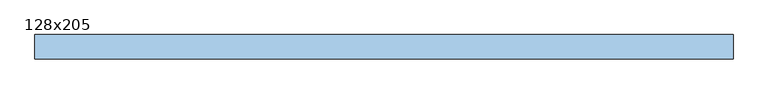
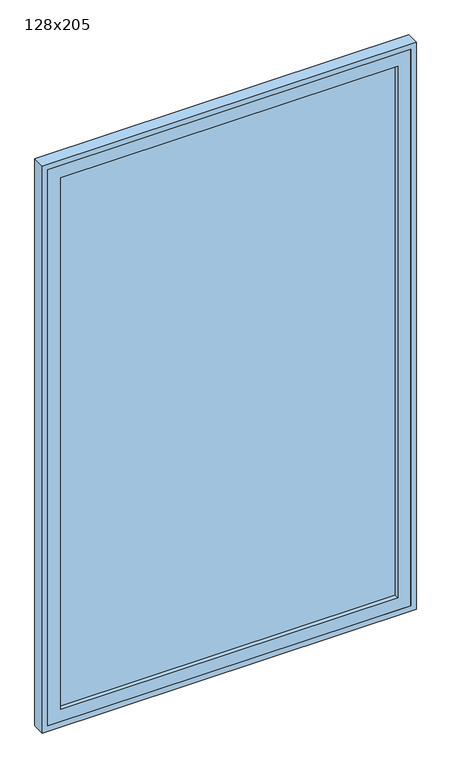
"""IFC4 building model written with IfcOpenShell, lengths in millimetres: window geometry, 128x205."""

from ifc_helpers import new_model, si_unit, frame, origin, place, context, project, spatial, polyline, outline, extrude, source, transform, mapped, element, save


def window_128x205_106a17c1(model_context):
    return source(origin(), model_context, "Body", "SweptSolid", [
        extrude(outline(polyline([(538.4, 126.425), (-614.6, 126.425), (-614.6, 139.125), (538.4, 139.125), (538.4, 126.425)])), frame((0.0, 0.0, 163.5), z_axis=(0.0, 0.0, 1.0), x_axis=(1.0, 0.0, 0.0)), (0.0, 0.0, 1.0), 1923.0),
        extrude(outline(polyline([(2130.95, -659.05), (119.05, -659.05), (119.05, 582.85), (2130.95, 582.85), (2130.95, -659.05)]), holes=[polyline([(2086.5, -614.6), (2086.5, 538.4), (163.5, 538.4), (163.5, -614.6), (2086.5, -614.6)])]), frame((0.0, 110.55, 0.0), z_axis=(0.0, 1.0, 0.0), x_axis=(0.0, 0.0, 1.0)), (0.0, 0.0, 1.0), 44.45),
        extrude(outline(polyline([(2150.0, 601.9), (2150.0, -678.1), (100.0, -678.1), (100.0, 601.9), (2150.0, 601.9)]), holes=[polyline([(2130.95, 582.85), (119.05, 582.85), (119.05, -659.05), (2130.95, -659.05), (2130.95, 582.85)])]), frame((0.0, 110.55, 0.0), z_axis=(0.0, 1.0, 0.0), x_axis=(0.0, 0.0, 1.0)), (0.0, 0.0, 1.0), 44.45),
    ])


if __name__ == "__main__":
    model = new_model("IFC4")
    model_context = context("Model", 3, world=origin())
    ifc_project = project(units=[si_unit("LENGTHUNIT", "METRE", prefix="MILLI")], contexts=[model_context])
    site = spatial("IfcSite", under=ifc_project)
    building = spatial("IfcBuilding", under=site)
    placement = place(None, origin())
    window_128x205_shape = window_128x205_106a17c1(model_context)
    element("IfcWindow", 1, ObjectType="128x205", at=placement, inside=building, context=model_context, shape_type="MappedRepresentation", body=[
        mapped(window_128x205_shape, transform((0.0, 0.0, 0.0), x_axis=(1.0, 0.0, 0.0), y_axis=(0.0, 1.0, 0.0), z_axis=(0.0, 0.0, 1.0))),
    ])
    save(model, "model.ifc")
